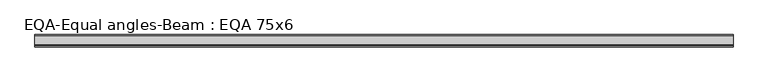
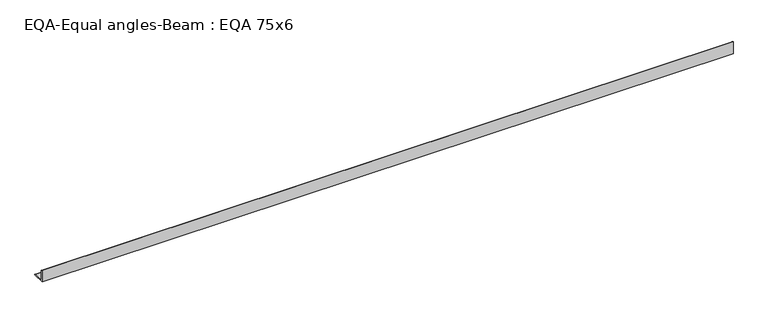
"""IFC4 building model written with IfcOpenShell, lengths in millimetres: beam geometry, EQA-Equal angles-Beam : EQA 75x6."""

import ifcopenshell
import ifcopenshell.guid

model = None  # the IFC model being written
_history = None  # IfcOwnerHistory: only IFC2X3 demands one
_inside = {}  # id of a spatial element -> (the spatial element, [elements in it])
_under = {}  # id of a project, library or spatial element -> (it, [spatial elements below it])
_declared = {}  # id of a project -> (the project, [libraries it declares])
_typed = {}  # id of a type object -> (the type object, [elements of that type])
_made_of = {}  # id of a material, layer set ... -> (it, [elements and type objects made of it])


def new_model(schema):
    """Start an empty IFC model of exactly this schema.

    Asked for "IFC4X3", IfcOpenShell would pick the latest addendum, in which some entities
    have other attributes; the version numbers below select the first issue.
    IFC2X3 requires an IfcOwnerHistory on every rooted entity: one is made here for all.
    """
    global model, _history
    if schema == "IFC4X3":
        model = ifcopenshell.file(schema_version=(4, 3, 0, 0))
    else:
        model = ifcopenshell.file(schema=schema)
    _inside.clear()
    _under.clear()
    _declared.clear()
    _typed.clear()
    _made_of.clear()
    _history = None
    if model.schema == "IFC2X3":
        org = make("IfcOrganization", Name="unknown")
        user = make(
            "IfcPersonAndOrganization",
            ThePerson=make("IfcPerson", FamilyName="unknown"),
            TheOrganization=org,
        )
        app = make(
            "IfcApplication",
            ApplicationDeveloper=org,
            Version="unknown",
            ApplicationFullName="unknown",
            ApplicationIdentifier="unknown",
        )
        _history = make(
            "IfcOwnerHistory",
            OwningUser=user,
            OwningApplication=app,
            ChangeAction="ADDED",
            CreationDate=0,
        )
    return model


def make(cls, **values):
    """One entity of the class cls with the attributes given. An attribute that is None is left unset."""
    return model.create_entity(
        cls, **{name: value for name, value in values.items() if value is not None}
    )


def rooted(cls, **values):
    """An entity with a GlobalId (a new one), such as an element, a storey or a relation."""
    return make(cls, GlobalId=ifcopenshell.guid.new(), OwnerHistory=_history, **values)


def si_unit(unit_type, name, prefix=None):
    """IfcSIUnit, for example si_unit("LENGTHUNIT", "METRE", prefix="MILLI")."""
    return make("IfcSIUnit", UnitType=unit_type, Prefix=prefix, Name=name)


def assignment(units):
    """IfcUnitAssignment: the units of a project."""
    return None if units is None else make("IfcUnitAssignment", Units=units)


def point(xyz):
    """IfcCartesianPoint."""
    return None if xyz is None else make("IfcCartesianPoint", Coordinates=xyz)


def direction(xyz):
    """IfcDirection."""
    return None if xyz is None else make("IfcDirection", DirectionRatios=xyz)


def frame(location, z_axis=None, x_axis=None):
    """IfcAxis2Placement3D, a coordinate frame: its origin and axes. An axis left out is left unset."""
    return make(
        "IfcAxis2Placement3D",
        Location=point(location),
        Axis=direction(z_axis),
        RefDirection=direction(x_axis),
    )


def frame_2d(location, x_axis=None):
    """IfcAxis2Placement2D, a coordinate frame in the plane: its origin and x axis."""
    return make(
        "IfcAxis2Placement2D", Location=point(location), RefDirection=direction(x_axis)
    )


def origin():
    """The frame at (0, 0, 0) with its axes left unset."""
    return frame((0.0, 0.0, 0.0))


def place(relative_to, where):
    """IfcLocalPlacement: puts the frame where relative to a parent placement (None: the world)."""
    return make(
        "IfcLocalPlacement", PlacementRelTo=relative_to, RelativePlacement=where
    )


def context(
    kind, dimensions, precision=None, world=None, true_north=None, identifier=None
):
    """IfcGeometricRepresentationContext, for example the 3D "Model" context."""
    return make(
        "IfcGeometricRepresentationContext",
        ContextIdentifier=identifier,
        ContextType=kind,
        CoordinateSpaceDimension=dimensions,
        Precision=precision,
        WorldCoordinateSystem=world,
        TrueNorth=true_north,
    )


def project(units=None, contexts=None):
    """IfcProject with its units and contexts."""
    return rooted(
        "IfcProject",
        Name="project",
        RepresentationContexts=contexts,
        UnitsInContext=assignment(units),
    )


def spatial(cls, under=None, at=None, **own):
    """A site, building, storey or space (cls), placed at a placement, below another one or the project."""
    s = rooted(cls, ObjectPlacement=at, **own)
    if under is not None:
        _under.setdefault(under.id(), (under, []))[1].append(s)
    return s


def polyline(points):
    """IfcPolyline through the points."""
    return make("IfcPolyline", Points=[point(p) for p in points])


def circle_curve(where, radius):
    """IfcCircle in the frame where."""
    return make("IfcCircle", Position=where, Radius=radius)


def trimmed(basis, trim1, trim2, sense, master):
    """IfcTrimmedCurve: the piece of a basis curve between two trims."""
    return make(
        "IfcTrimmedCurve",
        BasisCurve=basis,
        Trim1=trim1,
        Trim2=trim2,
        SenseAgreement=sense,
        MasterRepresentation=master,
    )


def segment(curve, same_sense, transition):
    """IfcCompositeCurveSegment."""
    return make(
        "IfcCompositeCurveSegment",
        Transition=transition,
        SameSense=same_sense,
        ParentCurve=curve,
    )


def composite_curve(segments, self_intersect=None):
    """IfcCompositeCurve: segments joined end to end."""
    return make("IfcCompositeCurve", Segments=segments, SelfIntersect=self_intersect)


def outline(outer, holes=None, kind="AREA"):
    """IfcArbitraryClosedProfileDef: a profile drawn as a closed curve; with holes, ...WithVoids."""
    if holes is None:
        return make("IfcArbitraryClosedProfileDef", ProfileType=kind, OuterCurve=outer)
    return make(
        "IfcArbitraryProfileDefWithVoids",
        ProfileType=kind,
        OuterCurve=outer,
        InnerCurves=holes,
    )


def extrude(swept, where, along, depth):
    """IfcExtrudedAreaSolid: the profile swept, set in the frame where, extruded along a direction by depth."""
    return make(
        "IfcExtrudedAreaSolid",
        SweptArea=swept,
        Position=where,
        ExtrudedDirection=direction(along),
        Depth=depth,
    )


def shape(context_of_items, identifier, shape_type, items):
    """IfcShapeRepresentation: the items that make up one representation, for example the "Body"."""
    return make(
        "IfcShapeRepresentation",
        ContextOfItems=context_of_items,
        RepresentationIdentifier=identifier,
        RepresentationType=shape_type,
        Items=items,
    )


def source(mapping_origin, context_of_items, identifier, shape_type, items):
    """IfcRepresentationMap: a shape defined once, which mapped items show again and again."""
    return make(
        "IfcRepresentationMap",
        MappingOrigin=mapping_origin,
        MappedRepresentation=shape(context_of_items, identifier, shape_type, items),
    )


def transform(
    local_origin,
    x_axis=None,
    y_axis=None,
    z_axis=None,
    scale=None,
    scale2=None,
    scale3=None,
    uniform=True,
):
    """IfcCartesianTransformationOperator3D, or its non-uniform kind. x_axis, y_axis, z_axis: its Axis1, 2, 3."""
    if uniform:
        return make(
            "IfcCartesianTransformationOperator3D",
            Axis1=direction(x_axis),
            Axis2=direction(y_axis),
            LocalOrigin=point(local_origin),
            Scale=scale,
            Axis3=direction(z_axis),
        )
    return make(
        "IfcCartesianTransformationOperator3DnonUniform",
        Axis1=direction(x_axis),
        Axis2=direction(y_axis),
        LocalOrigin=point(local_origin),
        Scale=scale,
        Axis3=direction(z_axis),
        Scale2=scale2,
        Scale3=scale3,
    )


def mapped(mapping_source, mapping_target):
    """IfcMappedItem: shows the shape of a source again, moved by a transform."""
    return make(
        "IfcMappedItem", MappingSource=mapping_source, MappingTarget=mapping_target
    )


def made_of(thing, what):
    """Note that an element or type object is made of a material, layer set ...; save() writes the relation."""
    if what is not None:
        _made_of.setdefault(what.id(), (what, []))[1].append(thing)
    return thing


def element(
    cls,
    number,
    at=None,
    inside=None,
    cuts=None,
    type_object=None,
    material=None,
    context=None,
    identifier="Body",
    shape_type=None,
    held_by="IfcProductDefinitionShape",
    body=None,
    shapes=None,
    **own,
):
    """One element of the class cls, such as IfcWall. Its Tag is "e" and its number.

    at: its placement. inside: the storey or other place that contains it. cuts: it is an
    opening in that element (IfcRelVoidsElement). A single representation is given by context,
    identifier, shape_type and body (its items); several are given by shapes. held_by: the class
    of the entity that holds the representations. save() writes the other relations.
    """
    e = rooted(cls, Tag="e%d" % number, ObjectPlacement=at, **own)
    if body is not None:
        shapes = [shape(context, identifier, shape_type, body)]
    if shapes is not None:
        e.Representation = make(held_by, Representations=shapes)
    if inside is not None:
        _inside.setdefault(inside.id(), (inside, []))[1].append(e)
    if cuts is not None:
        rooted(
            "IfcRelVoidsElement", RelatingBuildingElement=cuts, RelatedOpeningElement=e
        )
    if type_object is not None:
        _typed.setdefault(type_object.id(), (type_object, []))[1].append(e)
    return made_of(e, material)


def aggregate(whole, parts):
    """IfcRelAggregates: a whole, such as a stair, and the parts it consists of."""
    return rooted("IfcRelAggregates", RelatingObject=whole, RelatedObjects=parts)


def save(model, path):
    """Write the relations noted so far, then the file.

    IfcRelAggregates (storeys below a building ...), IfcRelContainedInSpatialStructure (elements
    in a storey), IfcRelDefinesByType, IfcRelAssociatesMaterial and IfcRelDeclares: one each for
    every whole, place, type object, material and project.
    """
    for whole, parts in _under.values():
        aggregate(whole, parts)
    for where, things in _inside.values():
        rooted(
            "IfcRelContainedInSpatialStructure",
            RelatedElements=things,
            RelatingStructure=where,
        )
    for kind, things in _typed.values():
        rooted("IfcRelDefinesByType", RelatedObjects=things, RelatingType=kind)
    for what, things in _made_of.values():
        rooted("IfcRelAssociatesMaterial", RelatedObjects=things, RelatingMaterial=what)
    for by, libraries in _declared.values():
        rooted("IfcRelDeclares", RelatingContext=by, RelatedDefinitions=libraries)
    model.write(path)


def eqa_equal_angles_beam_eqa_75x6_b3043f10(model_context):
    return source(origin(), model_context, "Body", "SweptSolid", [
        extrude(outline(composite_curve([segment(polyline([(-20.5, -20.5), (-20.5, 54.5), (-19.0, 54.5)]), True, "CONTINUOUS"), segment(trimmed(circle_curve(frame_2d((-19.0, 50.0)), 4.5), [point((-19.0, 54.5))], [point((-14.5, 50.0))], False, "CARTESIAN"), True, "CONTINUOUS"), segment(polyline([(-14.5, 50.0), (-14.5, -5.5)]), True, "CONTINUOUS"), segment(trimmed(circle_curve(frame_2d((-5.5, -5.5)), 9.0), [point((-14.5, -5.5))], [point((-5.5, -14.5))], True, "CARTESIAN"), True, "CONTINUOUS"), segment(polyline([(-5.5, -14.5), (50.0, -14.5)]), True, "CONTINUOUS"), segment(trimmed(circle_curve(frame_2d((50.0, -19.0)), 4.5), [point((50.0, -14.5))], [point((54.5, -19.0))], False, "CARTESIAN"), True, "CONTINUOUS"), segment(polyline([(54.5, -19.0), (54.5, -20.5), (-20.5, -20.5)]), True, "CONTINUOUS")], self_intersect=False)), frame((-2097.565879, 0.0, 0.0), z_axis=(1.0, 0.0, 0.0), x_axis=(0.0, 1.0, 0.0)), (0.0, 0.0, 1.0), 4212.6905351),
    ])


if __name__ == "__main__":
    model = new_model("IFC4")
    model_context = context("Model", 3, world=origin())
    ifc_project = project(units=[si_unit("LENGTHUNIT", "METRE", prefix="MILLI")], contexts=[model_context])
    site = spatial("IfcSite", under=ifc_project)
    building = spatial("IfcBuilding", under=site)
    placement = place(None, origin())
    eqa_equal_angles_beam_eqa_75x6_shape = eqa_equal_angles_beam_eqa_75x6_b3043f10(model_context)
    element("IfcBeam", 1, ObjectType="EQA-Equal angles-Beam : EQA 75x6", at=placement, inside=building, context=model_context, shape_type="MappedRepresentation", body=[
        mapped(eqa_equal_angles_beam_eqa_75x6_shape, transform((0.0, 0.0, 0.0), x_axis=(1.0, 0.0, 0.0), y_axis=(0.0, 1.0, 0.0), z_axis=(0.0, 0.0, 1.0))),
    ])
    save(model, "model.ifc")
